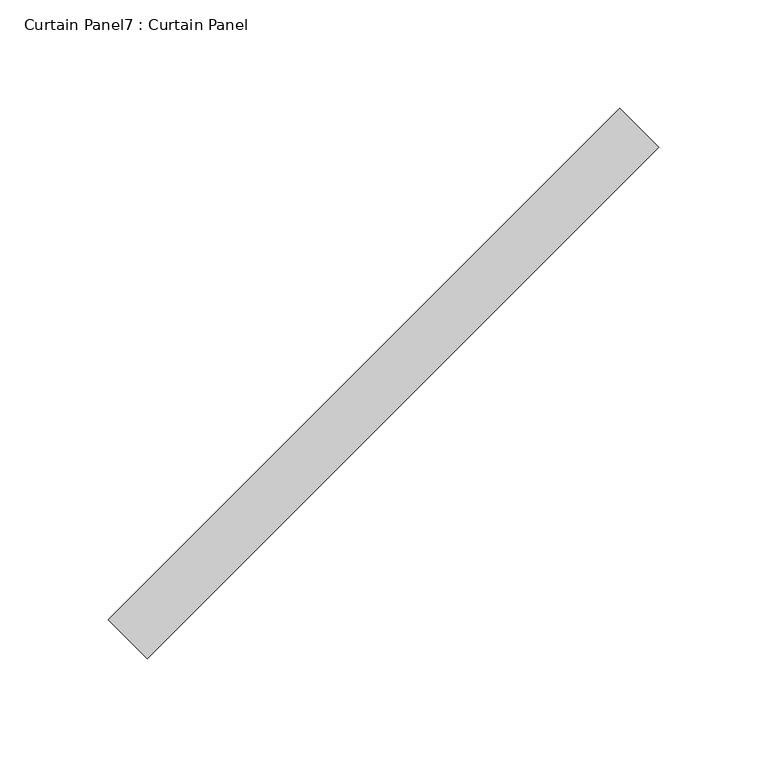
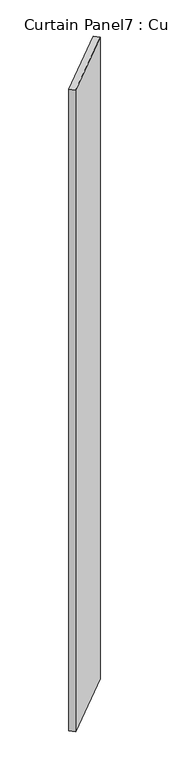
"""IFC4 building model written with IfcOpenShell, lengths in millimetres: plate geometry, Curtain Panel7 : Curtain Panel."""

from ifc_helpers import new_model, si_unit, frame, origin, place, context, project, spatial, polyline, outline, extrude, source, transform, mapped, element, save


def curtain_panel7_curtain_panel_e1665966(model_context):
    return source(origin(), model_context, "Body", "SweptSolid", [
        extrude(outline(polyline([(-14495.8397342, 2167.5077798), (-14731.5682784, 1931.7792355), (-14749.5287906, 1949.7397478), (-14513.8002464, 2185.468292), (-14495.8397342, 2167.5077798)])), frame((0.0, 0.0, -680.0975461), z_axis=(0.0, 0.0, 1.0), x_axis=(1.0, 0.0, 0.0)), (0.0, 0.0, 1.0), 2743.2),
    ])


if __name__ == "__main__":
    model = new_model("IFC4")
    model_context = context("Model", 3, world=origin())
    ifc_project = project(units=[si_unit("LENGTHUNIT", "METRE", prefix="MILLI")], contexts=[model_context])
    site = spatial("IfcSite", under=ifc_project)
    building = spatial("IfcBuilding", under=site)
    placement = place(None, origin())
    curtain_panel7_curtain_panel_shape = curtain_panel7_curtain_panel_e1665966(model_context)
    element("IfcPlate", 1, ObjectType="Curtain Panel7 : Curtain Panel", at=placement, inside=building, context=model_context, shape_type="MappedRepresentation", body=[
        mapped(curtain_panel7_curtain_panel_shape, transform((0.0, 0.0, 0.0), x_axis=(1.0, 0.0, 0.0), y_axis=(0.0, 1.0, 0.0), z_axis=(0.0, 0.0, 1.0))),
    ])
    save(model, "model.ifc")
